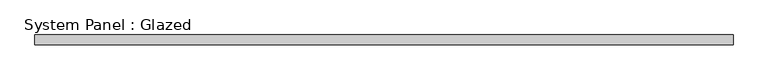
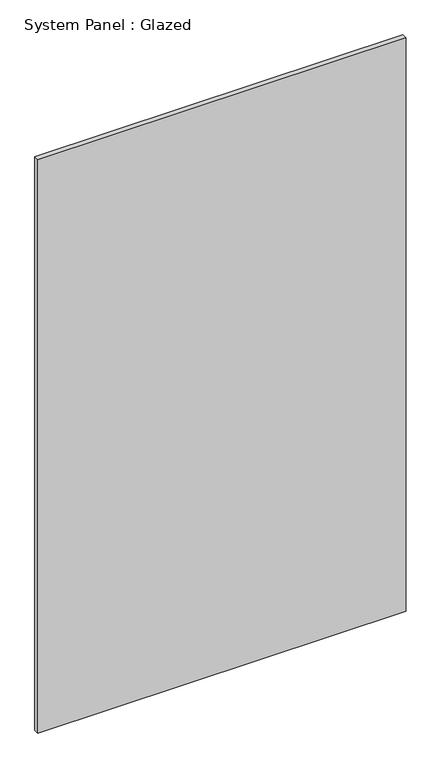
"""IFC4 building model written with IfcOpenShell, lengths in millimetres: plate geometry, System Panel : Glazed."""

from ifc_helpers import new_model, si_unit, origin, origin_with_axes, place, context, project, spatial, polyline, outline, extrude, source, transform, mapped, element, save


def system_panel_glazed_9115b0b5(model_context):
    return source(origin(), model_context, "Body", "SweptSolid", [
        extrude(outline(polyline([(904.4999998, -49.5), (-904.4999998, -49.5), (-904.4999998, -24.5), (904.4999998, -24.5), (904.4999998, -49.5)])), origin_with_axes(), (0.0, 0.0, 1.0), 2976.0),
    ])


if __name__ == "__main__":
    model = new_model("IFC4")
    model_context = context("Model", 3, world=origin())
    ifc_project = project(units=[si_unit("LENGTHUNIT", "METRE", prefix="MILLI")], contexts=[model_context])
    site = spatial("IfcSite", under=ifc_project)
    building = spatial("IfcBuilding", under=site)
    placement = place(None, origin())
    system_panel_glazed_shape = system_panel_glazed_9115b0b5(model_context)
    element("IfcPlate", 1, ObjectType="System Panel : Glazed", at=placement, inside=building, context=model_context, shape_type="MappedRepresentation", body=[
        mapped(system_panel_glazed_shape, transform((0.0, 0.0, 0.0), x_axis=(1.0, 0.0, 0.0), y_axis=(0.0, 1.0, 0.0), z_axis=(0.0, 0.0, 1.0))),
    ])
    save(model, "model.ifc")
